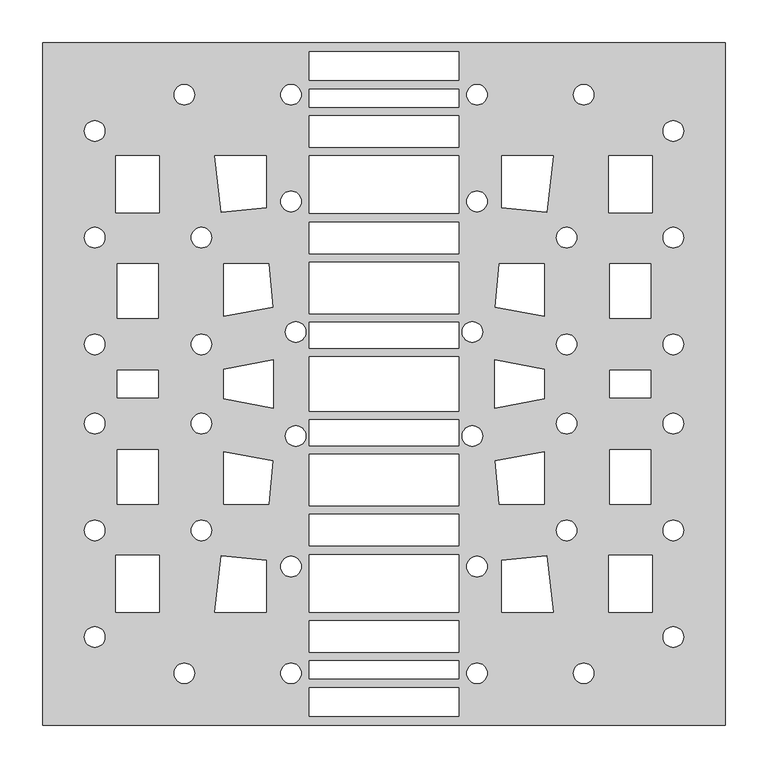
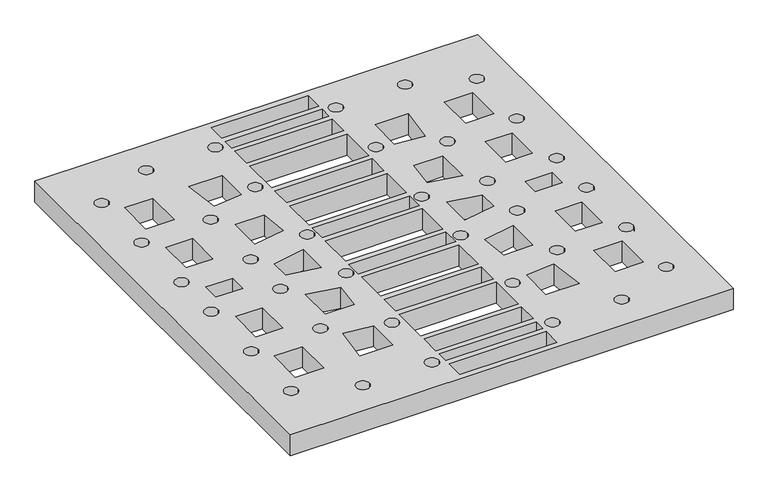
"""IFC4 building model written with IfcOpenShell, lengths in millimetres: proxy geometry."""

from ifc_helpers import new_model, si_unit, point, frame_2d, origin, origin_with_axes, place, context, project, spatial, polyline, circle_curve, trimmed, segment, composite_curve, outline, extrude, source, transform, mapped, element, save


def specialty_equipment_7d3adc9e(model_context):
    return source(origin(), model_context, "Body", "SweptSolid", [
        extrude(outline(polyline([(-1557.5, -400.0), (-1557.5, 400.0), (-757.5, 400.0), (-757.5, -400.0), (-1557.5, -400.0)]), holes=[composite_curve([segment(trimmed(circle_curve(frame_2d((-818.5, -296.5)), 12.036), [point((-830.536, -296.5))], [point((-806.464, -296.5))], True, "CARTESIAN"), True, "CONTINUOUS"), segment(trimmed(circle_curve(frame_2d((-818.5, -296.5)), 12.036), [point((-806.464, -296.5))], [point((-830.536, -296.5))], True, "CARTESIAN"), True, "CONTINUOUS")], self_intersect=False), composite_curve([segment(trimmed(circle_curve(frame_2d((-818.5, -171.5)), 12.036), [point((-830.536, -171.5))], [point((-806.464, -171.5))], True, "CARTESIAN"), True, "CONTINUOUS"), segment(trimmed(circle_curve(frame_2d((-818.5, -171.5)), 12.036), [point((-806.464, -171.5))], [point((-830.536, -171.5))], True, "CARTESIAN"), True, "CONTINUOUS")], self_intersect=False), composite_curve([segment(trimmed(circle_curve(frame_2d((-818.5, -46.5)), 12.036), [point((-830.536, -46.5))], [point((-806.464, -46.5))], True, "CARTESIAN"), True, "CONTINUOUS"), segment(trimmed(circle_curve(frame_2d((-818.5, -46.5)), 12.036), [point((-806.464, -46.5))], [point((-830.536, -46.5))], True, "CARTESIAN"), True, "CONTINUOUS")], self_intersect=False), composite_curve([segment(trimmed(circle_curve(frame_2d((-818.5, 46.5)), 12.036), [point((-830.536, 46.5))], [point((-806.464, 46.5))], True, "CARTESIAN"), True, "CONTINUOUS"), segment(trimmed(circle_curve(frame_2d((-818.5, 46.5)), 12.036), [point((-806.464, 46.5))], [point((-830.536, 46.5))], True, "CARTESIAN"), True, "CONTINUOUS")], self_intersect=False), composite_curve([segment(trimmed(circle_curve(frame_2d((-818.5, 171.5)), 12.036), [point((-830.536, 171.5))], [point((-806.464, 171.5))], True, "CARTESIAN"), True, "CONTINUOUS"), segment(trimmed(circle_curve(frame_2d((-818.5, 171.5)), 12.036), [point((-806.464, 171.5))], [point((-830.536, 171.5))], True, "CARTESIAN"), True, "CONTINUOUS")], self_intersect=False), composite_curve([segment(trimmed(circle_curve(frame_2d((-818.5, 296.5)), 12.036), [point((-830.536, 296.5))], [point((-806.464, 296.5))], True, "CARTESIAN"), True, "CONTINUOUS"), segment(trimmed(circle_curve(frame_2d((-818.5, 296.5)), 12.036), [point((-806.464, 296.5))], [point((-830.536, 296.5))], True, "CARTESIAN"), True, "CONTINUOUS")], self_intersect=False), polyline([(-892.857, -15.857), (-844.643, -15.857), (-844.643, 15.857), (-892.857, 15.857), (-892.857, -15.857)]), polyline([(-844.643, -140.857), (-844.643, -77.143), (-892.857, -77.143), (-892.857, -140.857), (-844.643, -140.857)]), polyline([(-892.857, 77.143), (-844.643, 77.143), (-844.643, 140.857), (-892.857, 140.857), (-892.857, 77.143)]), polyline([(-894.3, -267.3), (-843.2, -267.3), (-843.2, -200.7), (-894.3, -200.7), (-894.3, -267.3)]), polyline([(-894.3, 200.7), (-843.2, 200.7), (-843.2, 267.3), (-894.3, 267.3), (-894.3, 200.7)]), composite_curve([segment(trimmed(circle_curve(frame_2d((-923.5, -339.0)), 12.036), [point((-935.536, -339.0))], [point((-911.464, -339.0))], True, "CARTESIAN"), True, "CONTINUOUS"), segment(trimmed(circle_curve(frame_2d((-923.5, -339.0)), 12.036), [point((-911.464, -339.0))], [point((-935.536, -339.0))], True, "CARTESIAN"), True, "CONTINUOUS")], self_intersect=False), composite_curve([segment(trimmed(circle_curve(frame_2d((-923.5, 339.0)), 12.036), [point((-935.536, 339.0))], [point((-911.464, 339.0))], True, "CARTESIAN"), True, "CONTINUOUS"), segment(trimmed(circle_curve(frame_2d((-923.5, 339.0)), 12.036), [point((-911.464, 339.0))], [point((-935.536, 339.0))], True, "CARTESIAN"), True, "CONTINUOUS")], self_intersect=False), composite_curve([segment(trimmed(circle_curve(frame_2d((-943.5, -171.5)), 12.036), [point((-955.536, -171.5))], [point((-931.464, -171.5))], True, "CARTESIAN"), True, "CONTINUOUS"), segment(trimmed(circle_curve(frame_2d((-943.5, -171.5)), 12.036), [point((-931.464, -171.5))], [point((-955.536, -171.5))], True, "CARTESIAN"), True, "CONTINUOUS")], self_intersect=False), composite_curve([segment(trimmed(circle_curve(frame_2d((-943.5, -46.5)), 12.036), [point((-955.536, -46.5))], [point((-931.464, -46.5))], True, "CARTESIAN"), True, "CONTINUOUS"), segment(trimmed(circle_curve(frame_2d((-943.5, -46.5)), 12.036), [point((-931.464, -46.5))], [point((-955.536, -46.5))], True, "CARTESIAN"), True, "CONTINUOUS")], self_intersect=False), composite_curve([segment(trimmed(circle_curve(frame_2d((-943.5, 46.5)), 12.036), [point((-955.536, 46.5))], [point((-931.464, 46.5))], True, "CARTESIAN"), True, "CONTINUOUS"), segment(trimmed(circle_curve(frame_2d((-943.5, 46.5)), 12.036), [point((-931.464, 46.5))], [point((-955.536, 46.5))], True, "CARTESIAN"), True, "CONTINUOUS")], self_intersect=False), composite_curve([segment(trimmed(circle_curve(frame_2d((-943.5, 171.5)), 12.036), [point((-955.536, 171.5))], [point((-931.464, 171.5))], True, "CARTESIAN"), True, "CONTINUOUS"), segment(trimmed(circle_curve(frame_2d((-943.5, 171.5)), 12.036), [point((-931.464, 171.5))], [point((-955.536, 171.5))], True, "CARTESIAN"), True, "CONTINUOUS")], self_intersect=False), polyline([(-1019.3, -267.3), (-959.238, -267.3), (-966.983, -201.449), (-1019.3, -206.727), (-1019.3, -267.3)]), polyline([(-966.983, 201.449), (-959.238, 267.3), (-1019.3, 267.3), (-1019.3, 206.727), (-966.983, 201.449)]), polyline([(-1022.727, -140.857), (-969.643, -140.857), (-969.643, -79.123), (-1026.994, -89.906), (-1022.727, -140.857)]), polyline([(-969.643, 79.123), (-969.643, 140.857), (-1022.727, 140.857), (-1026.994, 89.906), (-969.643, 79.123)]), polyline([(-1027.857, -28.382), (-969.643, -17.463), (-969.643, 17.463), (-1027.857, 28.382), (-1027.857, -28.382)]), composite_curve([segment(trimmed(circle_curve(frame_2d((-1048.5, -339.0)), 12.036), [point((-1060.536, -339.0))], [point((-1036.464, -339.0))], True, "CARTESIAN"), True, "CONTINUOUS"), segment(trimmed(circle_curve(frame_2d((-1048.5, -339.0)), 12.036), [point((-1036.464, -339.0))], [point((-1060.536, -339.0))], True, "CARTESIAN"), True, "CONTINUOUS")], self_intersect=False), composite_curve([segment(trimmed(circle_curve(frame_2d((-1048.5, -214.0)), 12.036), [point((-1060.536, -214.0))], [point((-1036.464, -214.0))], True, "CARTESIAN"), True, "CONTINUOUS"), segment(trimmed(circle_curve(frame_2d((-1048.5, -214.0)), 12.036), [point((-1036.464, -214.0))], [point((-1060.536, -214.0))], True, "CARTESIAN"), True, "CONTINUOUS")], self_intersect=False), composite_curve([segment(trimmed(circle_curve(frame_2d((-1048.5, 214.0)), 12.036), [point((-1060.536, 214.0))], [point((-1036.464, 214.0))], True, "CARTESIAN"), True, "CONTINUOUS"), segment(trimmed(circle_curve(frame_2d((-1048.5, 214.0)), 12.036), [point((-1036.464, 214.0))], [point((-1060.536, 214.0))], True, "CARTESIAN"), True, "CONTINUOUS")], self_intersect=False), composite_curve([segment(trimmed(circle_curve(frame_2d((-1048.5, 339.0)), 12.036), [point((-1060.536, 339.0))], [point((-1036.464, 339.0))], True, "CARTESIAN"), True, "CONTINUOUS"), segment(trimmed(circle_curve(frame_2d((-1048.5, 339.0)), 12.036), [point((-1036.464, 339.0))], [point((-1060.536, 339.0))], True, "CARTESIAN"), True, "CONTINUOUS")], self_intersect=False), composite_curve([segment(trimmed(circle_curve(frame_2d((-1054.0, -61.0)), 12.036), [point((-1066.036, -61.0))], [point((-1041.964, -61.0))], True, "CARTESIAN"), True, "CONTINUOUS"), segment(trimmed(circle_curve(frame_2d((-1054.0, -61.0)), 12.036), [point((-1041.964, -61.0))], [point((-1066.036, -61.0))], True, "CARTESIAN"), True, "CONTINUOUS")], self_intersect=False), composite_curve([segment(trimmed(circle_curve(frame_2d((-1054.0, 61.0)), 12.036), [point((-1066.036, 61.0))], [point((-1041.964, 61.0))], True, "CARTESIAN"), True, "CONTINUOUS"), segment(trimmed(circle_curve(frame_2d((-1054.0, 61.0)), 12.036), [point((-1041.964, 61.0))], [point((-1066.036, 61.0))], True, "CARTESIAN"), True, "CONTINUOUS")], self_intersect=False), polyline([(-1069.71, 355.71), (-1069.71, 389.12), (-1245.29, 389.12), (-1245.29, 355.71), (-1069.71, 355.71)]), polyline([(-1069.71, 324.51), (-1069.71, 345.62), (-1245.29, 345.62), (-1245.29, 324.51), (-1069.71, 324.51)]), polyline([(-1069.71, 277.51), (-1069.71, 314.42), (-1245.29, 314.42), (-1245.29, 277.51), (-1069.71, 277.51)]), polyline([(-1069.71, 199.83), (-1069.71, 267.74), (-1245.29, 267.74), (-1245.29, 199.83), (-1069.71, 199.83)]), polyline([(-1069.71, 152.51), (-1069.71, 189.42), (-1245.29, 189.42), (-1245.29, 152.51), (-1069.71, 152.51)]), polyline([(-1069.71, 82.21), (-1069.71, 142.42), (-1245.29, 142.42), (-1245.29, 82.21), (-1069.71, 82.21)]), polyline([(-1069.71, 42.01), (-1069.71, 72.12), (-1245.29, 72.12), (-1245.29, 42.01), (-1069.71, 42.01)]), polyline([(-1069.71, -31.915), (-1069.71, 31.915), (-1245.29, 31.915), (-1245.29, -31.915), (-1069.71, -31.915)]), polyline([(-1245.29, -389.12), (-1069.71, -389.12), (-1069.71, -355.71), (-1245.29, -355.71), (-1245.29, -389.12)]), polyline([(-1245.29, -345.62), (-1069.71, -345.62), (-1069.71, -324.51), (-1245.29, -324.51), (-1245.29, -345.62)]), polyline([(-1245.29, -314.42), (-1069.71, -314.42), (-1069.71, -277.51), (-1245.29, -277.51), (-1245.29, -314.42)]), polyline([(-1245.29, -267.74), (-1069.71, -267.74), (-1069.71, -199.83), (-1245.29, -199.83), (-1245.29, -267.74)]), polyline([(-1245.29, -189.42), (-1069.71, -189.42), (-1069.71, -152.51), (-1245.29, -152.51), (-1245.29, -189.42)]), polyline([(-1245.29, -142.42), (-1069.71, -142.42), (-1069.71, -82.21), (-1245.29, -82.21), (-1245.29, -142.42)]), polyline([(-1245.29, -72.12), (-1069.71, -72.12), (-1069.71, -42.01), (-1245.29, -42.01), (-1245.29, -72.12)]), composite_curve([segment(trimmed(circle_curve(frame_2d((-1261.0, -61.0)), 12.036), [point((-1273.036, -61.0))], [point((-1248.964, -61.0))], True, "CARTESIAN"), True, "CONTINUOUS"), segment(trimmed(circle_curve(frame_2d((-1261.0, -61.0)), 12.036), [point((-1248.964, -61.0))], [point((-1273.036, -61.0))], True, "CARTESIAN"), True, "CONTINUOUS")], self_intersect=False), composite_curve([segment(trimmed(circle_curve(frame_2d((-1261.0, 61.0)), 12.036), [point((-1273.036, 61.0))], [point((-1248.964, 61.0))], True, "CARTESIAN"), True, "CONTINUOUS"), segment(trimmed(circle_curve(frame_2d((-1261.0, 61.0)), 12.036), [point((-1248.964, 61.0))], [point((-1273.036, 61.0))], True, "CARTESIAN"), True, "CONTINUOUS")], self_intersect=False), composite_curve([segment(trimmed(circle_curve(frame_2d((-1266.5, -339.0)), 12.036), [point((-1278.536, -339.0))], [point((-1254.464, -339.0))], True, "CARTESIAN"), True, "CONTINUOUS"), segment(trimmed(circle_curve(frame_2d((-1266.5, -339.0)), 12.036), [point((-1254.464, -339.0))], [point((-1278.536, -339.0))], True, "CARTESIAN"), True, "CONTINUOUS")], self_intersect=False), composite_curve([segment(trimmed(circle_curve(frame_2d((-1266.5, -214.0)), 12.036), [point((-1278.536, -214.0))], [point((-1254.464, -214.0))], True, "CARTESIAN"), True, "CONTINUOUS"), segment(trimmed(circle_curve(frame_2d((-1266.5, -214.0)), 12.036), [point((-1254.464, -214.0))], [point((-1278.536, -214.0))], True, "CARTESIAN"), True, "CONTINUOUS")], self_intersect=False), composite_curve([segment(trimmed(circle_curve(frame_2d((-1266.5, 214.0)), 12.036), [point((-1278.536, 214.0))], [point((-1254.464, 214.0))], True, "CARTESIAN"), True, "CONTINUOUS"), segment(trimmed(circle_curve(frame_2d((-1266.5, 214.0)), 12.036), [point((-1254.464, 214.0))], [point((-1278.536, 214.0))], True, "CARTESIAN"), True, "CONTINUOUS")], self_intersect=False), composite_curve([segment(trimmed(circle_curve(frame_2d((-1266.5, 339.0)), 12.036), [point((-1278.536, 339.0))], [point((-1254.464, 339.0))], True, "CARTESIAN"), True, "CONTINUOUS"), segment(trimmed(circle_curve(frame_2d((-1266.5, 339.0)), 12.036), [point((-1254.464, 339.0))], [point((-1278.536, 339.0))], True, "CARTESIAN"), True, "CONTINUOUS")], self_intersect=False), polyline([(-1345.357, -17.463), (-1287.143, -28.382), (-1287.143, 28.382), (-1345.357, 17.463), (-1345.357, -17.463)]), polyline([(-1345.357, -140.857), (-1292.273, -140.857), (-1288.006, -89.906), (-1345.357, -79.123), (-1345.357, -140.857)]), polyline([(-1288.006, 89.906), (-1292.273, 140.857), (-1345.357, 140.857), (-1345.357, 79.123), (-1288.006, 89.906)]), polyline([(-1295.7, -267.3), (-1295.7, -206.727), (-1348.017, -201.449), (-1355.762, -267.3), (-1295.7, -267.3)]), polyline([(-1348.017, 201.449), (-1295.7, 206.727), (-1295.7, 267.3), (-1355.762, 267.3), (-1348.017, 201.449)]), composite_curve([segment(trimmed(circle_curve(frame_2d((-1371.5, -171.5)), 12.036), [point((-1383.536, -171.5))], [point((-1359.464, -171.5))], True, "CARTESIAN"), True, "CONTINUOUS"), segment(trimmed(circle_curve(frame_2d((-1371.5, -171.5)), 12.036), [point((-1359.464, -171.5))], [point((-1383.536, -171.5))], True, "CARTESIAN"), True, "CONTINUOUS")], self_intersect=False), composite_curve([segment(trimmed(circle_curve(frame_2d((-1371.5, -46.5)), 12.036), [point((-1383.536, -46.5))], [point((-1359.464, -46.5))], True, "CARTESIAN"), True, "CONTINUOUS"), segment(trimmed(circle_curve(frame_2d((-1371.5, -46.5)), 12.036), [point((-1359.464, -46.5))], [point((-1383.536, -46.5))], True, "CARTESIAN"), True, "CONTINUOUS")], self_intersect=False), composite_curve([segment(trimmed(circle_curve(frame_2d((-1371.5, 46.5)), 12.036), [point((-1383.536, 46.5))], [point((-1359.464, 46.5))], True, "CARTESIAN"), True, "CONTINUOUS"), segment(trimmed(circle_curve(frame_2d((-1371.5, 46.5)), 12.036), [point((-1359.464, 46.5))], [point((-1383.536, 46.5))], True, "CARTESIAN"), True, "CONTINUOUS")], self_intersect=False), composite_curve([segment(trimmed(circle_curve(frame_2d((-1371.5, 171.5)), 12.036), [point((-1383.536, 171.5))], [point((-1359.464, 171.5))], True, "CARTESIAN"), True, "CONTINUOUS"), segment(trimmed(circle_curve(frame_2d((-1371.5, 171.5)), 12.036), [point((-1359.464, 171.5))], [point((-1383.536, 171.5))], True, "CARTESIAN"), True, "CONTINUOUS")], self_intersect=False), composite_curve([segment(trimmed(circle_curve(frame_2d((-1391.5, -339.0)), 12.036), [point((-1403.536, -339.0))], [point((-1379.464, -339.0))], True, "CARTESIAN"), True, "CONTINUOUS"), segment(trimmed(circle_curve(frame_2d((-1391.5, -339.0)), 12.036), [point((-1379.464, -339.0))], [point((-1403.536, -339.0))], True, "CARTESIAN"), True, "CONTINUOUS")], self_intersect=False), composite_curve([segment(trimmed(circle_curve(frame_2d((-1391.5, 339.0)), 12.036), [point((-1403.536, 339.0))], [point((-1379.464, 339.0))], True, "CARTESIAN"), True, "CONTINUOUS"), segment(trimmed(circle_curve(frame_2d((-1391.5, 339.0)), 12.036), [point((-1379.464, 339.0))], [point((-1403.536, 339.0))], True, "CARTESIAN"), True, "CONTINUOUS")], self_intersect=False), polyline([(-1422.143, -140.857), (-1422.143, -77.143), (-1470.357, -77.143), (-1470.357, -140.857), (-1422.143, -140.857)]), polyline([(-1422.143, 77.143), (-1422.143, 140.857), (-1470.357, 140.857), (-1470.357, 77.143), (-1422.143, 77.143)]), polyline([(-1470.357, -15.857), (-1422.143, -15.857), (-1422.143, 15.857), (-1470.357, 15.857), (-1470.357, -15.857)]), polyline([(-1420.7, -267.3), (-1420.7, -200.7), (-1471.8, -200.7), (-1471.8, -267.3), (-1420.7, -267.3)]), polyline([(-1420.7, 200.7), (-1420.7, 267.3), (-1471.8, 267.3), (-1471.8, 200.7), (-1420.7, 200.7)]), composite_curve([segment(trimmed(circle_curve(frame_2d((-1496.5, -296.5)), 12.036), [point((-1508.536, -296.5))], [point((-1484.464, -296.5))], True, "CARTESIAN"), True, "CONTINUOUS"), segment(trimmed(circle_curve(frame_2d((-1496.5, -296.5)), 12.036), [point((-1484.464, -296.5))], [point((-1508.536, -296.5))], True, "CARTESIAN"), True, "CONTINUOUS")], self_intersect=False), composite_curve([segment(trimmed(circle_curve(frame_2d((-1496.5, -171.5)), 12.036), [point((-1508.536, -171.5))], [point((-1484.464, -171.5))], True, "CARTESIAN"), True, "CONTINUOUS"), segment(trimmed(circle_curve(frame_2d((-1496.5, -171.5)), 12.036), [point((-1484.464, -171.5))], [point((-1508.536, -171.5))], True, "CARTESIAN"), True, "CONTINUOUS")], self_intersect=False), composite_curve([segment(trimmed(circle_curve(frame_2d((-1496.5, -46.5)), 12.036), [point((-1508.536, -46.5))], [point((-1484.464, -46.5))], True, "CARTESIAN"), True, "CONTINUOUS"), segment(trimmed(circle_curve(frame_2d((-1496.5, -46.5)), 12.036), [point((-1484.464, -46.5))], [point((-1508.536, -46.5))], True, "CARTESIAN"), True, "CONTINUOUS")], self_intersect=False), composite_curve([segment(trimmed(circle_curve(frame_2d((-1496.5, 46.5)), 12.036), [point((-1508.536, 46.5))], [point((-1484.464, 46.5))], True, "CARTESIAN"), True, "CONTINUOUS"), segment(trimmed(circle_curve(frame_2d((-1496.5, 46.5)), 12.036), [point((-1484.464, 46.5))], [point((-1508.536, 46.5))], True, "CARTESIAN"), True, "CONTINUOUS")], self_intersect=False), composite_curve([segment(trimmed(circle_curve(frame_2d((-1496.5, 171.5)), 12.036), [point((-1508.536, 171.5))], [point((-1484.464, 171.5))], True, "CARTESIAN"), True, "CONTINUOUS"), segment(trimmed(circle_curve(frame_2d((-1496.5, 171.5)), 12.036), [point((-1484.464, 171.5))], [point((-1508.536, 171.5))], True, "CARTESIAN"), True, "CONTINUOUS")], self_intersect=False), composite_curve([segment(trimmed(circle_curve(frame_2d((-1496.5, 296.5)), 12.036), [point((-1508.536, 296.5))], [point((-1484.464, 296.5))], True, "CARTESIAN"), True, "CONTINUOUS"), segment(trimmed(circle_curve(frame_2d((-1496.5, 296.5)), 12.036), [point((-1484.464, 296.5))], [point((-1508.536, 296.5))], True, "CARTESIAN"), True, "CONTINUOUS")], self_intersect=False)]), origin_with_axes(), (0.0, 0.0, 1.0), 40.0),
    ])


if __name__ == "__main__":
    model = new_model("IFC4")
    model_context = context("Model", 3, world=origin())
    ifc_project = project(units=[si_unit("LENGTHUNIT", "METRE", prefix="MILLI")], contexts=[model_context])
    site = spatial("IfcSite", under=ifc_project)
    building = spatial("IfcBuilding", under=site)
    placement = place(None, origin())
    specialty_equipment_shape = specialty_equipment_7d3adc9e(model_context)
    element("IfcBuildingElementProxy", 1, Name="Specialty Equipment", at=placement, inside=building, context=model_context, shape_type="MappedRepresentation", body=[
        mapped(specialty_equipment_shape, transform((0.0, 0.0, 0.0), x_axis=(1.0, 0.0, 0.0), y_axis=(0.0, 1.0, 0.0), z_axis=(0.0, 0.0, 1.0))),
    ])
    save(model, "model.ifc")
